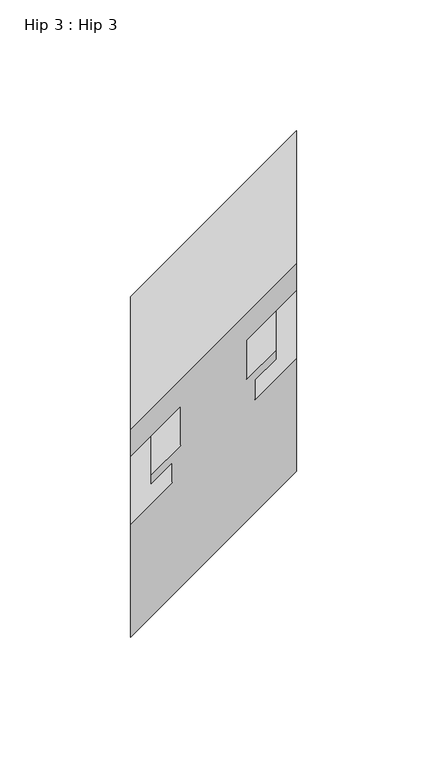
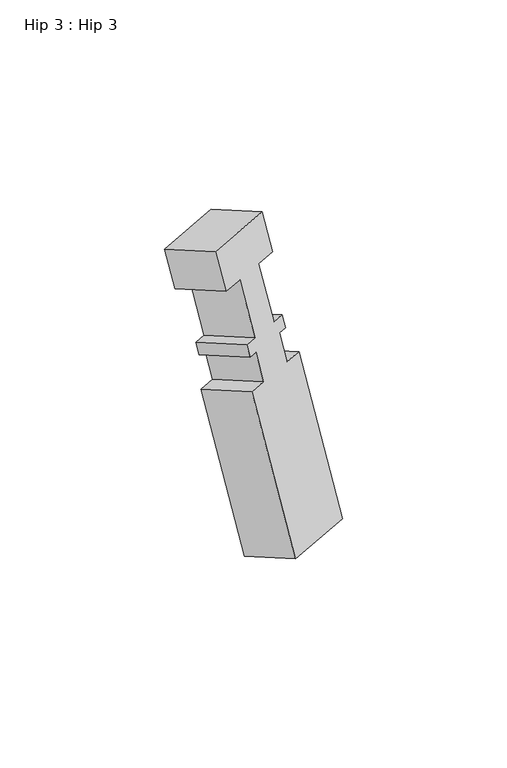
"""IFC4 building model written with IfcOpenShell, lengths in millimetres: proxy geometry, Hip 3 : Hip 3."""

from ifc_helpers import new_model, si_unit, origin, place, context, project, spatial, faceted_brep, source, transform, mapped, element, save


def hip_3_hip_3_9f829cf1(model_context):
    return source(origin(), model_context, "Body", "Brep", [
        faceted_brep([(-7083.4192107, 9838.2823081, 1350.8186617), (-7083.4192107, 9888.9497885, 1321.5657782), (-7146.9192107, 9825.4497885, 1358.2275203), (-7146.9192107, 9774.7823081, 1387.4804037), (-7146.9192107, 9815.1310385, 1340.354921), (-7146.9192107, 9764.4635581, 1369.6078045), (-7127.8692107, 9834.1619885, 1329.3234028), (-7127.8692107, 9783.4945081, 1358.5762863), (-7127.8692107, 9819.0997885, 1303.2349071), (-7127.8692107, 9768.4323081, 1332.4877906), (-7138.9944107, 9807.9745885, 1309.6580443), (-7138.9944107, 9757.3071081, 1338.9109278), (-7138.9944107, 9804.6586979, 1303.9147533), (-7138.9944107, 9753.9912175, 1333.1676368), (-7131.0442107, 9812.6088979, 1299.3247032), (-7131.0442107, 9761.9414175, 1328.5775867), (-7131.0442107, 9805.0281885, 1286.1945294), (-7131.0442107, 9754.3607081, 1315.4474129), (-7146.9192107, 9789.1531885, 1295.3599649), (-7146.9192107, 9738.4857081, 1324.6128484), (-7146.9192107, 9745.8842885, 1220.4160317), (-7146.9192107, 9695.2168081, 1249.6689152), (-7083.4192107, 9809.3842885, 1183.7542896), (-7083.4192107, 9758.7168081, 1213.0071731), (-7083.4192107, 9852.6531885, 1258.6982228), (-7083.4192107, 9801.9857081, 1287.9511063), (-7099.2942107, 9836.7781885, 1267.8636584), (-7099.2942107, 9786.1107081, 1297.1165418), (-7099.2942107, 9844.3092885, 1280.9079062), (-7099.2942107, 9793.6418081, 1310.1607897), (-7091.3440107, 9852.2594885, 1276.3178561), (-7091.3440107, 9801.5920081, 1305.5707396), (-7091.3440107, 9855.6185539, 1282.1359279), (-7091.3440107, 9804.9510734, 1311.3888114), (-7102.4692107, 9844.4933539, 1288.5590651), (-7102.4692107, 9793.8258734, 1317.8119486), (-7102.4692107, 9859.5619885, 1314.658706), (-7102.4692107, 9808.8945081, 1343.9115894), (-7083.4192107, 9878.6119885, 1303.6601833), (-7083.4192107, 9827.9445081, 1332.9130668)], [[[0, 1, 2, 3]], [[3, 2, 4, 5]], [[5, 4, 6, 7]], [[7, 6, 8, 9]], [[9, 8, 10, 11]], [[11, 10, 12, 13]], [[13, 12, 14, 15]], [[15, 14, 16, 17]], [[17, 16, 18, 19]], [[19, 18, 20, 21]], [[21, 20, 22, 23]], [[23, 22, 24, 25]], [[25, 24, 26, 27]], [[27, 26, 28, 29]], [[29, 28, 30, 31]], [[31, 30, 32, 33]], [[33, 32, 34, 35]], [[35, 34, 36, 37]], [[37, 36, 38, 39]], [[1, 0, 39, 38]], [[2, 1, 38, 36, 34, 32, 30, 28, 26, 24, 22, 20, 18, 16, 14, 12, 10, 8, 6, 4]], [[0, 3, 5, 7, 9, 11, 13, 15, 17, 19, 21, 23, 25, 27, 29, 31, 33, 35, 37, 39]]]),
    ])


if __name__ == "__main__":
    model = new_model("IFC4")
    model_context = context("Model", 3, world=origin())
    ifc_project = project(units=[si_unit("LENGTHUNIT", "METRE", prefix="MILLI")], contexts=[model_context])
    site = spatial("IfcSite", under=ifc_project)
    building = spatial("IfcBuilding", under=site)
    placement = place(None, origin())
    hip_3_hip_3_shape = hip_3_hip_3_9f829cf1(model_context)
    element("IfcBuildingElementProxy", 1, Name="Hip 3 : Hip 3", ObjectType="Hip 3 : Hip 3", at=placement, inside=building, context=model_context, shape_type="MappedRepresentation", body=[
        mapped(hip_3_hip_3_shape, transform((0.0, 0.0, 0.0), x_axis=(1.0, 0.0, 0.0), y_axis=(0.0, 1.0, 0.0), z_axis=(0.0, 0.0, 1.0))),
    ])
    save(model, "model.ifc")
